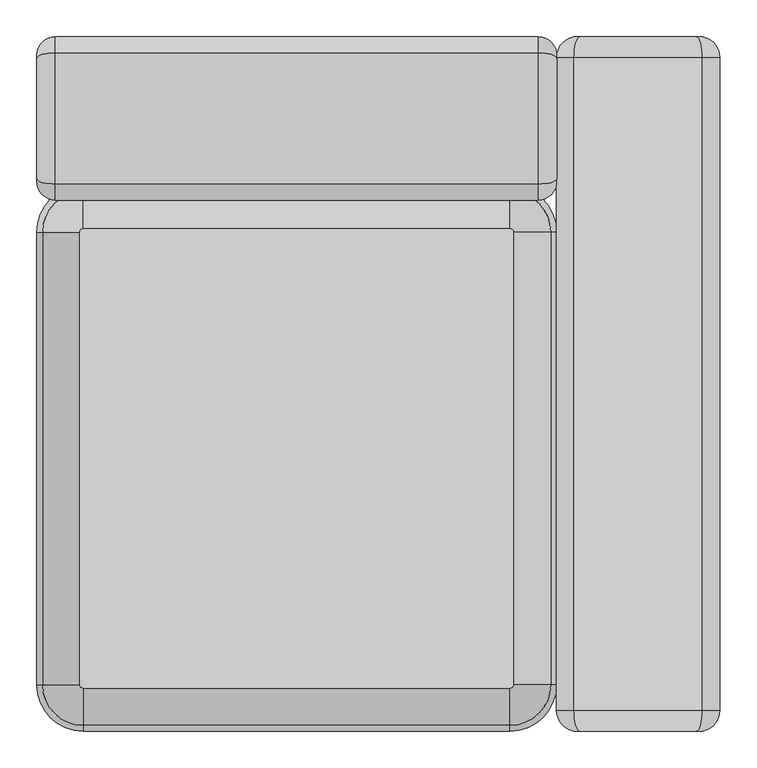
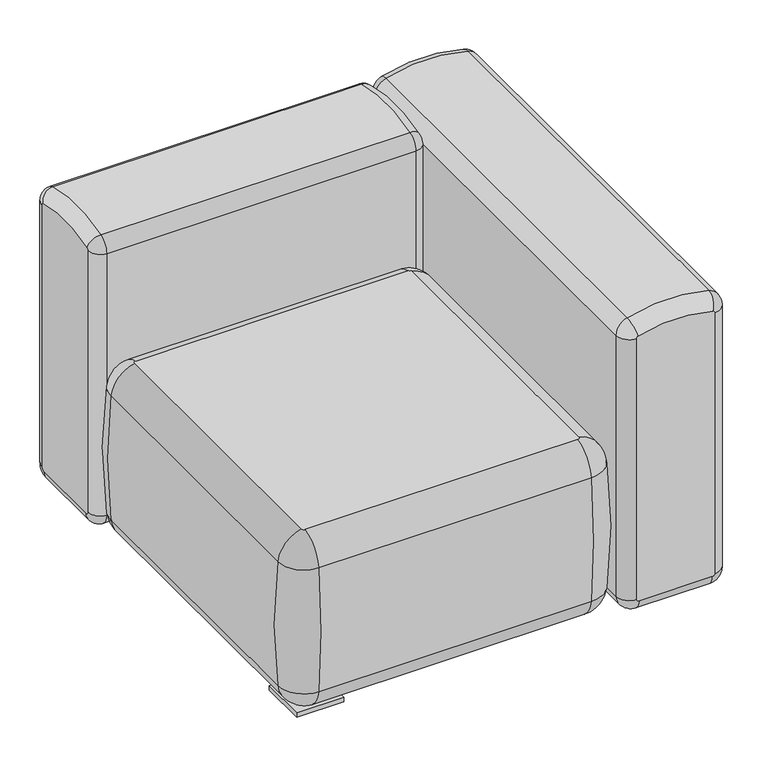
"""IFC4 building model written with IfcOpenShell, lengths in millimetres: furniture geometry."""

from ifc_helpers import new_model, si_unit, point, frame, origin, origin_with_axes, place, context, project, spatial, polyline, circle_curve, ellipse_curve, trimmed, outline, extrude, source, transform, mapped, element, save
from ifc_brep_helpers import plane_surface, cylinder_surface, revolved_surface, advanced_brep


def furniture_eaa25d30(model_context):
    return source(origin(), model_context, "Body", "SolidModel", [
        advanced_brep(
        [(644.5168534, -886.3777279, 400.8294013), (649.2789416, -881.6156397, 400.8294013), (649.2789416, -266.0642945, 400.8294013), (644.5168534, -261.3022063, 400.8294013), (63.5, -261.3022063, 400.8294013), (58.7379118, -266.0642945, 400.8294013), (58.7379118, -881.6156397, 400.8294013), (63.5, -886.3777279, 400.8294013), (649.2789416, -881.6156397, 10.3055551), (644.5168534, -886.3777279, 10.3055551), (63.5, -886.3777279, 10.3055551), (58.7379118, -881.6156397, 10.3055551), (58.7379118, -266.0642945, 10.3055551), (63.5, -261.3022063, 10.3055551), (644.5168534, -261.3022063, 10.3055551), (649.2789416, -266.0642945, 10.3055551), (700.0789416, -881.6156397, 344.9240013), (644.5168534, -937.1777279, 344.9240013), (644.5168534, -937.1777279, 66.2109551), (700.0789416, -881.6156397, 66.2109551), (700.0789416, -266.0642945, 66.2109551), (700.0789416, -266.0642945, 344.9240013), (644.5168534, -210.5022063, 66.2109551), (644.5168534, -210.5022063, 344.9240013), (63.5, -210.5022063, 66.2109551), (63.5, -210.5022063, 344.9240013), (7.9379118, -266.0642945, 66.2109551), (7.9379118, -266.0642945, 344.9240013), (7.9379118, -881.6156397, 66.2109551), (7.9379118, -881.6156397, 344.9240013), (63.5, -937.1777279, 66.2109551), (63.5, -937.1777279, 344.9240013)],
        [
            (0, 1, circle_curve(frame((644.5168534, -881.6156397, 400.8294013), z_axis=(0.0, 0.0, 1.0), x_axis=(0.0, -1.0, 0.0)), 4.7620882)),
            (1, 2),
            (2, 3, circle_curve(frame((644.5168534, -266.0642945, 400.8294013), z_axis=(0.0, 0.0, 1.0), x_axis=(1.0, 0.0, 0.0)), 4.7620882)),
            (3, 4),
            (4, 5, circle_curve(frame((63.5, -266.0642945, 400.8294013), z_axis=(0.0, 0.0, 1.0), x_axis=(0.0, 1.0, 0.0)), 4.7620882)),
            (5, 6),
            (6, 7, circle_curve(frame((63.5, -881.6156397, 400.8294013), z_axis=(0.0, 0.0, 1.0), x_axis=(-1.0, 0.0, 0.0)), 4.7620882)),
            (7, 0),
            (8, 9, circle_curve(frame((644.5168534, -881.6156397, 10.3055551), z_axis=(0.0, 0.0, -1.0), x_axis=(0.0, -1.0, 0.0)), 4.7620882)),
            (9, 10),
            (10, 11, circle_curve(frame((63.5, -881.6156397, 10.3055551), z_axis=(0.0, 0.0, -1.0), x_axis=(-1.0, 0.0, 0.0)), 4.7620882)),
            (11, 12),
            (12, 13, circle_curve(frame((63.5, -266.0642945, 10.3055551), z_axis=(0.0, 0.0, -1.0), x_axis=(0.0, 1.0, 0.0)), 4.7620882)),
            (13, 14),
            (14, 15, circle_curve(frame((644.5168534, -266.0642945, 10.3055551), z_axis=(0.0, 0.0, -1.0), x_axis=(1.0, 0.0, 0.0)), 4.7620882)),
            (15, 8),
            (16, 17, circle_curve(frame((644.5168534, -881.6156397, 344.9240013), z_axis=(0.0, 0.0, -1.0), x_axis=(0.0, -1.0, 0.0)), 55.5620882)),
            (17, 18, circle_curve(frame((644.5168534, 282.1120921, 205.5674782), z_axis=(1.0, 0.0, 0.0), x_axis=(0.0, -1.0, 0.0)), 1227.2277318)),
            (18, 19, circle_curve(frame((644.5168534, -881.6156397, 66.2109551), z_axis=(0.0, 0.0, 1.0), x_axis=(0.0, -1.0, 0.0)), 55.5620882)),
            (19, 16, circle_curve(frame((-519.2108784, -881.6156397, 205.5674782), z_axis=(0.0, -1.0, 0.0), x_axis=(1.0, 0.0, 0.0)), 1227.2277318)),
            (19, 20),
            (20, 21, circle_curve(frame((-519.2108784, -266.0642945, 205.5674782), z_axis=(0.0, -1.0, 0.0), x_axis=(1.0, 0.0, 0.0)), 1227.2277318)),
            (21, 16),
            (20, 22, circle_curve(frame((644.5168534, -266.0642945, 66.2109551), z_axis=(0.0, 0.0, 1.0), x_axis=(1.0, 0.0, 0.0)), 55.5620882)),
            (22, 23, circle_curve(frame((644.5168534, -1429.7920263, 205.5674782), z_axis=(1.0, 0.0, 0.0), x_axis=(0.0, 1.0, 0.0)), 1227.2277318)),
            (23, 21, circle_curve(frame((644.5168534, -266.0642945, 344.9240013), z_axis=(0.0, 0.0, -1.0), x_axis=(1.0, 0.0, 0.0)), 55.5620882)),
            (22, 24),
            (24, 25, circle_curve(frame((63.5, -1429.7920263, 205.5674782), z_axis=(1.0, 0.0, 0.0), x_axis=(0.0, 1.0, 0.0)), 1227.2277318)),
            (25, 23),
            (24, 26, circle_curve(frame((63.5, -266.0642945, 66.2109551), z_axis=(0.0, 0.0, 1.0), x_axis=(0.0, 1.0, 0.0)), 55.5620882)),
            (26, 27, circle_curve(frame((1227.2277318, -266.0642945, 205.5674782), z_axis=(0.0, 1.0, 0.0), x_axis=(-1.0, 0.0, 0.0)), 1227.2277318)),
            (27, 25, circle_curve(frame((63.5, -266.0642945, 344.9240013), z_axis=(0.0, 0.0, -1.0), x_axis=(0.0, 1.0, 0.0)), 55.5620882)),
            (26, 28),
            (28, 29, circle_curve(frame((1227.2277318, -881.6156397, 205.5674782), z_axis=(0.0, 1.0, 0.0), x_axis=(-1.0, 0.0, 0.0)), 1227.2277318)),
            (29, 27),
            (28, 30, circle_curve(frame((63.5, -881.6156397, 66.2109551), z_axis=(0.0, 0.0, 1.0), x_axis=(-1.0, 0.0, 0.0)), 55.5620882)),
            (30, 31, circle_curve(frame((63.5, 282.1120921, 205.5674782), z_axis=(-1.0, 0.0, 0.0), x_axis=(0.0, -1.0, 0.0)), 1227.2277318)),
            (31, 29, circle_curve(frame((63.5, -881.6156397, 344.9240013), z_axis=(0.0, 0.0, -1.0), x_axis=(-1.0, 0.0, 0.0)), 55.5620882)),
            (17, 31),
            (30, 18),
            (18, 9, circle_curve(frame((644.5168534, -872.9354042, 73.5534152), z_axis=(1.0, 0.0, 0.0), x_axis=(0.0, -1.0, 0.0)), 64.6605589)),
            (8, 19, circle_curve(frame((635.8366179, -881.6156397, 73.5534152), z_axis=(0.0, -1.0, 0.0), x_axis=(1.0, 0.0, 0.0)), 64.6605589)),
            (16, 1, circle_curve(frame((635.8366179, -881.6156397, 337.5815412), z_axis=(0.0, -1.0, 0.0), x_axis=(1.0, 0.0, 0.0)), 64.6605589)),
            (0, 17, circle_curve(frame((644.5168534, -872.9354042, 337.5815412), z_axis=(1.0, 0.0, 0.0), x_axis=(0.0, -1.0, 0.0)), 64.6605589)),
            (15, 20, circle_curve(frame((635.8366179, -266.0642945, 73.5534152), z_axis=(0.0, -1.0, 0.0), x_axis=(1.0, 0.0, 0.0)), 64.6605589)),
            (21, 2, circle_curve(frame((635.8366179, -266.0642945, 337.5815412), z_axis=(0.0, -1.0, 0.0), x_axis=(1.0, 0.0, 0.0)), 64.6605589)),
            (14, 22, circle_curve(frame((644.5168534, -274.74453, 73.5534152), z_axis=(1.0, 0.0, 0.0), x_axis=(0.0, 1.0, 0.0)), 64.6605589)),
            (23, 3, circle_curve(frame((644.5168534, -274.74453, 337.5815412), z_axis=(1.0, 0.0, 0.0), x_axis=(0.0, 1.0, 0.0)), 64.6605589)),
            (13, 24, circle_curve(frame((63.5, -274.74453, 73.5534152), z_axis=(1.0, 0.0, 0.0), x_axis=(0.0, 1.0, 0.0)), 64.6605589)),
            (25, 4, circle_curve(frame((63.5, -274.74453, 337.5815412), z_axis=(1.0, 0.0, 0.0), x_axis=(0.0, 1.0, 0.0)), 64.6605589)),
            (12, 26, circle_curve(frame((72.1802355, -266.0642945, 73.5534152), z_axis=(0.0, 1.0, 0.0), x_axis=(-1.0, 0.0, 0.0)), 64.6605589)),
            (27, 5, circle_curve(frame((72.1802355, -266.0642945, 337.5815412), z_axis=(0.0, 1.0, 0.0), x_axis=(-1.0, 0.0, 0.0)), 64.6605589)),
            (11, 28, circle_curve(frame((72.1802355, -881.6156397, 73.5534152), z_axis=(0.0, 1.0, 0.0), x_axis=(-1.0, 0.0, 0.0)), 64.6605589)),
            (29, 6, circle_curve(frame((72.1802355, -881.6156397, 337.5815412), z_axis=(0.0, 1.0, 0.0), x_axis=(-1.0, 0.0, 0.0)), 64.6605589)),
            (10, 30, circle_curve(frame((63.5, -872.9354042, 73.5534152), z_axis=(-1.0, 0.0, 0.0), x_axis=(0.0, -1.0, 0.0)), 64.6605589)),
            (31, 7, circle_curve(frame((63.5, -872.9354042, 337.5815412), z_axis=(-1.0, 0.0, 0.0), x_axis=(0.0, -1.0, 0.0)), 64.6605589)),
        ],
        [
            plane_surface(frame((58.7379118, -881.6156397, 400.8294013), z_axis=(0.0, 0.0, 1.0), x_axis=(0.0, -1.0, 0.0))),
            plane_surface(frame((58.7379118, -881.6156397, 10.3055551), z_axis=(0.0, 0.0, -1.0), x_axis=(0.0, 1.0, 0.0))),
            revolved_surface(trimmed(ellipse_curve(frame((644.5168534, 282.1120921, 205.5674782), z_axis=(-1.0, 0.0, 0.0), x_axis=(0.0, -1.0, 0.0)), 1227.2277318, 1227.2277318), [point((644.5168534, -937.1777279, 66.2109551))], [point((644.5168534, -937.1777279, 344.9240013))], True, "CARTESIAN"), (644.5168534, -881.6156397, 0.0), (0.0, 0.0, 1.0)),
            cylinder_surface(frame((-519.2108784, -881.6156397, 205.5674782), z_axis=(0.0, -1.0, 0.0), x_axis=(1.0, 0.0, 0.0)), 1227.2277318),
            revolved_surface(trimmed(ellipse_curve(frame((-519.2108784, -266.0642945, 205.5674782), z_axis=(0.0, -1.0, 0.0), x_axis=(1.0, 0.0, 0.0)), 1227.2277318, 1227.2277318), [point((700.0789416, -266.0642945, 66.2109551))], [point((700.0789416, -266.0642945, 344.9240013))], True, "CARTESIAN"), (644.5168534, -266.0642945, 0.0), (0.0, 0.0, 1.0)),
            cylinder_surface(frame((644.5168534, -1429.7920263, 205.5674782), z_axis=(1.0, 0.0, 0.0), x_axis=(0.0, 1.0, 0.0)), 1227.2277318),
            revolved_surface(trimmed(ellipse_curve(frame((63.5, -1429.7920263, 205.5674782), z_axis=(1.0, 0.0, 0.0), x_axis=(0.0, 1.0, 0.0)), 1227.2277318, 1227.2277318), [point((63.5, -210.5022063, 66.2109551))], [point((63.5, -210.5022063, 344.9240013))], True, "CARTESIAN"), (63.5, -266.0642945, 0.0), (0.0, 0.0, 1.0)),
            cylinder_surface(frame((1227.2277318, -266.0642945, 205.5674782), z_axis=(0.0, 1.0, 0.0), x_axis=(-1.0, 0.0, 0.0)), 1227.2277318),
            revolved_surface(trimmed(ellipse_curve(frame((1227.2277318, -881.6156397, 205.5674782), z_axis=(0.0, 1.0, 0.0), x_axis=(-1.0, 0.0, 0.0)), 1227.2277318, 1227.2277318), [point((7.9379118, -881.6156397, 66.2109551))], [point((7.9379118, -881.6156397, 344.9240013))], True, "CARTESIAN"), (63.5, -881.6156397, 0.0), (0.0, 0.0, 1.0)),
            cylinder_surface(frame((63.5, 282.1120921, 205.5674782), z_axis=(-1.0, 0.0, 0.0), x_axis=(0.0, -1.0, 0.0)), 1227.2277318),
            revolved_surface(trimmed(ellipse_curve(frame((644.5168534, -872.9354042, 73.5534152), z_axis=(-1.0, 0.0, 0.0), x_axis=(0.0, -1.0, 0.0)), 64.6605589, 64.6605589), [point((644.5168534, -886.3777279, 10.3055551))], [point((644.5168534, -937.1777279, 66.2109551))], True, "CARTESIAN"), (644.5168534, -881.6156397, 0.0), (0.0, 0.0, 1.0)),
            revolved_surface(trimmed(ellipse_curve(frame((644.5168534, -872.9354042, 337.5815412), z_axis=(-1.0, 0.0, 0.0), x_axis=(0.0, -1.0, 0.0)), 64.6605589, 64.6605589), [point((644.5168534, -937.1777279, 344.9240013))], [point((644.5168534, -886.3777279, 400.8294013))], True, "CARTESIAN"), (644.5168534, -881.6156397, 0.0), (0.0, 0.0, 1.0)),
            cylinder_surface(frame((635.8366179, -881.6156397, 73.5534152), z_axis=(0.0, -1.0, 0.0), x_axis=(1.0, 0.0, 0.0)), 64.6605589),
            cylinder_surface(frame((635.8366179, -881.6156397, 337.5815412), z_axis=(0.0, -1.0, 0.0), x_axis=(1.0, 0.0, 0.0)), 64.6605589),
            revolved_surface(trimmed(ellipse_curve(frame((635.8366179, -266.0642945, 73.5534152), z_axis=(0.0, -1.0, 0.0), x_axis=(1.0, 0.0, 0.0)), 64.6605589, 64.6605589), [point((649.2789416, -266.0642945, 10.3055551))], [point((700.0789416, -266.0642945, 66.2109551))], True, "CARTESIAN"), (644.5168534, -266.0642945, 0.0), (0.0, 0.0, 1.0)),
            revolved_surface(trimmed(ellipse_curve(frame((635.8366179, -266.0642945, 337.5815412), z_axis=(0.0, -1.0, 0.0), x_axis=(1.0, 0.0, 0.0)), 64.6605589, 64.6605589), [point((700.0789416, -266.0642945, 344.9240013))], [point((649.2789416, -266.0642945, 400.8294013))], True, "CARTESIAN"), (644.5168534, -266.0642945, 0.0), (0.0, 0.0, 1.0)),
            cylinder_surface(frame((644.5168534, -274.74453, 73.5534152), z_axis=(1.0, 0.0, 0.0), x_axis=(0.0, 1.0, 0.0)), 64.6605589),
            cylinder_surface(frame((644.5168534, -274.74453, 337.5815412), z_axis=(1.0, 0.0, 0.0), x_axis=(0.0, 1.0, 0.0)), 64.6605589),
            revolved_surface(trimmed(ellipse_curve(frame((63.5, -274.74453, 73.5534152), z_axis=(1.0, 0.0, 0.0), x_axis=(0.0, 1.0, 0.0)), 64.6605589, 64.6605589), [point((63.5, -261.3022063, 10.3055551))], [point((63.5, -210.5022063, 66.2109551))], True, "CARTESIAN"), (63.5, -266.0642945, 0.0), (0.0, 0.0, 1.0)),
            revolved_surface(trimmed(ellipse_curve(frame((63.5, -274.74453, 337.5815412), z_axis=(1.0, 0.0, 0.0), x_axis=(0.0, 1.0, 0.0)), 64.6605589, 64.6605589), [point((63.5, -210.5022063, 344.9240013))], [point((63.5, -261.3022063, 400.8294013))], True, "CARTESIAN"), (63.5, -266.0642945, 0.0), (0.0, 0.0, 1.0)),
            cylinder_surface(frame((72.1802355, -266.0642945, 73.5534152), z_axis=(0.0, 1.0, 0.0), x_axis=(-1.0, 0.0, 0.0)), 64.6605589),
            cylinder_surface(frame((72.1802355, -266.0642945, 337.5815412), z_axis=(0.0, 1.0, 0.0), x_axis=(-1.0, 0.0, 0.0)), 64.6605589),
            revolved_surface(trimmed(ellipse_curve(frame((72.1802355, -881.6156397, 73.5534152), z_axis=(0.0, 1.0, 0.0), x_axis=(-1.0, 0.0, 0.0)), 64.6605589, 64.6605589), [point((58.7379118, -881.6156397, 10.3055551))], [point((7.9379118, -881.6156397, 66.2109551))], True, "CARTESIAN"), (63.5, -881.6156397, 0.0), (0.0, 0.0, 1.0)),
            revolved_surface(trimmed(ellipse_curve(frame((72.1802355, -881.6156397, 337.5815412), z_axis=(0.0, 1.0, 0.0), x_axis=(-1.0, 0.0, 0.0)), 64.6605589, 64.6605589), [point((7.9379118, -881.6156397, 344.9240013))], [point((58.7379118, -881.6156397, 400.8294013))], True, "CARTESIAN"), (63.5, -881.6156397, 0.0), (0.0, 0.0, 1.0)),
            cylinder_surface(frame((63.5, -872.9354042, 73.5534152), z_axis=(-1.0, 0.0, 0.0), x_axis=(0.0, -1.0, 0.0)), 64.6605589),
            cylinder_surface(frame((63.5, -872.9354042, 337.5815412), z_axis=(-1.0, 0.0, 0.0), x_axis=(0.0, -1.0, 0.0)), 64.6605589),
        ],
        [
            (0, [[1, 2, 3, 4, 5, 6, 7, 8]]),
            (1, [[9, 10, 11, 12, 13, 14, 15, 16]]),
            (2, [[17, 18, 19, 20]]),
            (3, [[-20, 21, 22, 23]]),
            (4, [[-22, 24, 25, 26]]),
            (5, [[-25, 27, 28, 29]]),
            (6, [[-28, 30, 31, 32]]),
            (7, [[-31, 33, 34, 35]]),
            (8, [[-34, 36, 37, 38]]),
            (9, [[-18, 39, -37, 40]]),
            (10, [[-19, 41, -9, 42]]),
            (11, [[-17, 43, -1, 44]]),
            (12, [[-21, -42, -16, 45]]),
            (13, [[-23, 46, -2, -43]]),
            (14, [[-24, -45, -15, 47]]),
            (15, [[-26, 48, -3, -46]]),
            (16, [[-27, -47, -14, 49]]),
            (17, [[-29, 50, -4, -48]]),
            (18, [[-30, -49, -13, 51]]),
            (19, [[-32, 52, -5, -50]]),
            (20, [[-33, -51, -12, 53]]),
            (21, [[-35, 54, -6, -52]]),
            (22, [[-36, -53, -11, 55]]),
            (23, [[-38, 56, -7, -54]]),
            (24, [[-40, -55, -10, -41]]),
            (25, [[-39, -44, -8, -56]]),
        ],
    ),
        advanced_brep(
        [(25.4, -222.2499879, 43.3255551), (25.4, -189.2299879, 10.3055551), (682.8302443, -189.2299879, 10.3055551), (682.8302443, -222.2499879, 43.3255551), (0.0, -196.8499879, 43.3255551), (0.0, -189.2299879, 35.7055551), (708.2302443, -189.2299879, 35.7055551), (708.2302443, -196.8499879, 43.3255551), (682.8302443, -222.2499879, 632.3988818), (25.4, -222.2499879, 632.3988818), (0.0, -196.8499879, 632.3988818), (708.2302443, -196.8499879, 632.3988818), (25.4, 0.0, 632.3988818), (25.4, -21.7039085, 661.5881027), (682.8302443, -21.7039085, 661.5881027), (682.8302443, 0.0, 632.3988818), (0.0, -25.4, 632.3988818), (0.0, -29.0173181, 637.263752), (708.2302443, -29.0173181, 637.263752), (708.2302443, -25.4, 632.3988818), (682.8302443, 0.0, 43.3255551), (25.4, 0.0, 43.3255551), (0.0, -25.4, 43.3255551), (708.2302443, -25.4, 43.3255551), (682.8302443, -33.02, 10.3055551), (25.4, -33.02, 10.3055551), (0.0, -33.02, 35.7055551), (708.2302443, -33.02, 35.7055551), (682.8302443, -200.5460794, 661.5881027), (25.4, -200.5460794, 661.5881027), (0.0, -193.2326698, 637.263752), (708.2302443, -193.2326698, 637.263752)],
        [
            (0, 1, circle_curve(frame((25.4, -189.2299879, 43.3255551), z_axis=(1.0, 0.0, 0.0), x_axis=(0.0, 0.0, -1.0)), 33.02)),
            (1, 2),
            (2, 3, circle_curve(frame((682.8302443, -189.2299879, 43.3255551), z_axis=(-1.0, 0.0, 0.0), x_axis=(0.0, 0.0, -1.0)), 33.02)),
            (3, 0),
            (0, 4, circle_curve(frame((25.4, -196.8499879, 43.3255551), z_axis=(0.0, 0.0, -1.0), x_axis=(0.0, -1.0, 0.0)), 25.4)),
            (4, 5, circle_curve(frame((0.0, -189.2299879, 43.3255551), z_axis=(1.0, 0.0, 0.0), x_axis=(0.0, 0.0, -1.0)), 7.62)),
            (5, 1, circle_curve(frame((25.4, -189.2299879, 35.7055551), z_axis=(0.0, -1.0, 0.0), x_axis=(0.0, 0.0, -1.0)), 25.4)),
            (2, 6, circle_curve(frame((682.8302443, -189.2299879, 35.7055551), z_axis=(0.0, -1.0, 0.0), x_axis=(0.0, 0.0, -1.0)), 25.4)),
            (6, 7, circle_curve(frame((708.2302443, -189.2299879, 43.3255551), z_axis=(-1.0, 0.0, 0.0), x_axis=(0.0, 0.0, -1.0)), 7.62)),
            (7, 3, circle_curve(frame((682.8302443, -196.8499879, 43.3255551), z_axis=(0.0, 0.0, -1.0), x_axis=(0.0, -1.0, 0.0)), 25.4)),
            (3, 8),
            (8, 9),
            (9, 0),
            (9, 10, circle_curve(frame((25.4, -196.8499879, 632.3988818), z_axis=(0.0, 0.0, -1.0), x_axis=(0.0, -1.0, 0.0)), 25.4)),
            (10, 4),
            (7, 11),
            (11, 8, circle_curve(frame((682.8302443, -196.8499879, 632.3988818), z_axis=(0.0, 0.0, -1.0), x_axis=(0.0, -1.0, 0.0)), 25.4)),
            (12, 13, circle_curve(frame((25.4, -30.48, 632.3988818), z_axis=(1.0, 0.0, 0.0), x_axis=(0.0, 0.28792951141472445, 0.9576516049464325)), 30.48)),
            (13, 14),
            (14, 15, circle_curve(frame((682.8302443, -30.48, 632.3988818), z_axis=(-1.0, 0.0, 0.0), x_axis=(0.0, 0.28792951141472445, 0.9576516049464325)), 30.48)),
            (15, 12),
            (12, 16, circle_curve(frame((25.4, -25.4, 632.3988818), z_axis=(0.0, 0.0, 1.0000000000000002), x_axis=(0.0, 1.0000000000000002, 0.0)), 25.4)),
            (16, 17, circle_curve(frame((0.0, -30.48, 632.3988818), z_axis=(1.0, 0.0, 0.0), x_axis=(0.0, 0.28792951141472445, 0.9576516049464325)), 5.08)),
            (17, 13, circle_curve(frame((25.4, -29.0173181, 637.263752), z_axis=(0.0, 0.9576516049464325, -0.2879295114147244), x_axis=(0.0, 0.2879295114147244, 0.9576516049464325)), 25.4)),
            (14, 18, circle_curve(frame((682.8302443, -29.0173181, 637.263752), z_axis=(0.0, 0.9576516049464325, -0.2879295114147244), x_axis=(0.0, 0.2879295114147244, 0.9576516049464325)), 25.4)),
            (18, 19, circle_curve(frame((708.2302443, -30.48, 632.3988818), z_axis=(-1.0, 0.0, 0.0), x_axis=(0.0, 0.28792951141472445, 0.9576516049464325)), 5.08)),
            (19, 15, circle_curve(frame((682.8302443, -25.4, 632.3988818), z_axis=(0.0, 0.0, 1.0), x_axis=(0.0, 1.0, 0.0)), 25.4)),
            (15, 20),
            (20, 21),
            (21, 12),
            (21, 22, circle_curve(frame((25.4, -25.4, 43.3255551), z_axis=(0.0, 0.0, 1.0), x_axis=(0.0, 1.0, 0.0)), 25.4)),
            (22, 16),
            (19, 23),
            (23, 20, circle_curve(frame((682.8302443, -25.4, 43.3255551), z_axis=(0.0, 0.0, 1.0), x_axis=(0.0, 1.0, 0.0)), 25.4)),
            (20, 24, circle_curve(frame((682.8302443, -33.02, 43.3255551), z_axis=(-1.0, 0.0, 0.0), x_axis=(0.0, 1.0, 0.0)), 33.02)),
            (24, 25),
            (25, 21, circle_curve(frame((25.4, -33.02, 43.3255551), z_axis=(1.0, 0.0, 0.0), x_axis=(0.0, 1.0, 0.0)), 33.02)),
            (25, 26, circle_curve(frame((25.4, -33.02, 35.7055551), z_axis=(0.0, 1.0, 0.0), x_axis=(0.0, 0.0, -1.0)), 25.4)),
            (26, 22, circle_curve(frame((0.0, -33.02, 43.3255551), z_axis=(1.0, 0.0, 0.0), x_axis=(0.0, 1.0, 0.0)), 7.62)),
            (23, 27, circle_curve(frame((708.2302443, -33.02, 43.3255551), z_axis=(-1.0, 0.0, 0.0), x_axis=(0.0, 1.0, 0.0)), 7.62)),
            (27, 24, circle_curve(frame((682.8302443, -33.02, 35.7055551), z_axis=(0.0, 1.0, 0.0), x_axis=(0.0, 0.0, -1.0)), 25.4)),
            (1, 25),
            (24, 2),
            (5, 26),
            (27, 6),
            (8, 28, circle_curve(frame((682.8302443, -191.7699879, 632.3988818), z_axis=(-1.0, 0.0, 0.0), x_axis=(0.0, -1.0, 0.0)), 30.48)),
            (28, 29),
            (29, 9, circle_curve(frame((25.4, -191.7699879, 632.3988818), z_axis=(1.0, 0.0, 0.0), x_axis=(0.0, -1.0, 0.0)), 30.48)),
            (29, 30, circle_curve(frame((25.4, -193.2326698, 637.263752), z_axis=(0.0, -0.9576516049464516, -0.28792951141466067), x_axis=(0.0, -0.28792951141466067, 0.9576516049464516)), 25.4)),
            (30, 10, circle_curve(frame((0.0, -191.7699879, 632.3988818), z_axis=(1.0, 0.0, 0.0), x_axis=(0.0, -1.0, 0.0)), 5.08)),
            (11, 31, circle_curve(frame((708.2302443, -191.7699879, 632.3988818), z_axis=(-1.0, 0.0, 0.0), x_axis=(0.0, -1.0, 0.0)), 5.08)),
            (31, 28, circle_curve(frame((682.8302443, -193.2326698, 637.263752), z_axis=(0.0, -0.9576516049464507, -0.2879295114146636), x_axis=(0.0, -0.2879295114146636, 0.9576516049464507)), 25.4)),
            (13, 29, circle_curve(frame((25.4, -111.1249939, 364.1741781), z_axis=(1.0, 0.0, 0.0), x_axis=(0.0, -0.2879295114146613, 0.9576516049464515)), 310.5658917)),
            (28, 14, circle_curve(frame((682.8302443, -111.1249939, 364.1741781), z_axis=(-1.0, 0.0, 0.0), x_axis=(0.0, -0.2879295114146613, 0.9576516049464515)), 310.5658917)),
            (17, 30, circle_curve(frame((0.0, -111.1249939, 364.1741781), z_axis=(1.0, 0.0, 0.0), x_axis=(0.0, -0.2879295114146613, 0.9576516049464515)), 285.1658917)),
            (18, 31, circle_curve(frame((708.2302443, -111.1249939, 364.1741781), z_axis=(1.0, 0.0, 0.0), x_axis=(0.0, -0.2879295114146613, 0.9576516049464515)), 285.1658917)),
        ],
        [
            cylinder_surface(frame((0.0, -189.2299879, 43.3255551), z_axis=(-1.0, 0.0, 0.0), x_axis=(0.0, 0.0, -1.0)), 33.02),
            revolved_surface(trimmed(ellipse_curve(frame((25.4, -189.2299879, 35.7055551), z_axis=(0.0, 1.0, 0.0), x_axis=(0.0, 0.0, -1.0)), 25.4, 25.4), [point((25.4, -189.2299879, 10.3055551))], [point((0.0, -189.2299879, 35.7055551))], True, "CARTESIAN"), (0.0, -189.2299879, 43.3255551), (-1.0, 0.0, 0.0)),
            revolved_surface(trimmed(ellipse_curve(frame((682.8302443, -189.2299879, 35.7055551), z_axis=(0.0, 1.0, 0.0), x_axis=(0.0, 0.0, -1.0)), 25.4, 25.4), [point((708.2302443, -189.2299879, 35.7055551))], [point((682.8302443, -189.2299879, 10.3055551))], True, "CARTESIAN"), (0.0, -189.2299879, 43.3255551), (-1.0, 0.0, 0.0)),
            plane_surface(frame((682.8302443, -222.2499879, 43.3255551), z_axis=(0.0, -1.0, 0.0), x_axis=(0.0, 0.0, 1.0))),
            cylinder_surface(frame((25.4, -196.8499879, 43.3255551), z_axis=(0.0, 0.0, -1.0), x_axis=(0.0, -1.0, 0.0)), 25.4),
            cylinder_surface(frame((682.8302443, -196.8499879, 43.3255551), z_axis=(0.0, 0.0, -1.0), x_axis=(0.0, -1.0, 0.0)), 25.4),
            cylinder_surface(frame((0.0, -30.48, 632.3988818), z_axis=(-1.0, 0.0, 0.0), x_axis=(0.0, 0.28792951141472445, 0.9576516049464325)), 30.48),
            revolved_surface(trimmed(ellipse_curve(frame((25.4, -29.0173181, 637.263752), z_axis=(0.0, -0.9576516049464325, 0.2879295114147244), x_axis=(0.0, 0.2879295114147244, 0.9576516049464325)), 25.4, 25.4), [point((25.4, -21.7039085, 661.5881027))], [point((0.0, -29.0173181, 637.263752))], True, "CARTESIAN"), (0.0, -30.48, 632.3988818), (-1.0, 0.0, 0.0)),
            revolved_surface(trimmed(ellipse_curve(frame((682.8302443, -29.0173181, 637.263752), z_axis=(0.0, -0.9576516049464325, 0.2879295114147244), x_axis=(0.0, 0.2879295114147244, 0.9576516049464325)), 25.4, 25.4), [point((708.2302443, -29.0173181, 637.263752))], [point((682.8302443, -21.7039085, 661.5881027))], True, "CARTESIAN"), (0.0, -30.48, 632.3988818), (-1.0, 0.0, 0.0)),
            plane_surface(frame((682.8302443, 0.0, 632.3988818), z_axis=(0.0, 1.0, 0.0), x_axis=(0.0, 0.0, -1.0))),
            cylinder_surface(frame((25.4, -25.4, 632.3988818), z_axis=(0.0, 0.0, 1.0), x_axis=(0.0, 1.0, 0.0)), 25.4),
            cylinder_surface(frame((682.8302443, -25.4, 632.3988818), z_axis=(0.0, 0.0, 1.0), x_axis=(0.0, 1.0, 0.0)), 25.4),
            cylinder_surface(frame((0.0, -33.02, 43.3255551), z_axis=(-1.0, 0.0, 0.0), x_axis=(0.0, 1.0, 0.0)), 33.02),
            revolved_surface(trimmed(ellipse_curve(frame((25.4, -25.4, 43.3255551), z_axis=(0.0, 0.0, 1.0), x_axis=(0.0, 1.0, 0.0)), 25.4, 25.4), [point((25.4, 0.0, 43.3255551))], [point((0.0, -25.4, 43.3255551))], True, "CARTESIAN"), (0.0, -33.02, 43.3255551), (-1.0, 0.0, 0.0)),
            revolved_surface(trimmed(ellipse_curve(frame((682.8302443, -25.4, 43.3255551), z_axis=(0.0, 0.0, 1.0), x_axis=(0.0, 1.0, 0.0)), 25.4, 25.4), [point((708.2302443, -25.4, 43.3255551))], [point((682.8302443, 0.0, 43.3255551))], True, "CARTESIAN"), (0.0, -33.02, 43.3255551), (-1.0, 0.0, 0.0)),
            plane_surface(frame((682.8302443, -33.02, 10.3055551), z_axis=(0.0, 0.0, -1.0), x_axis=(0.0, -1.0, 0.0))),
            cylinder_surface(frame((25.4, -33.02, 35.7055551), z_axis=(0.0, 1.0, 0.0), x_axis=(0.0, 0.0, -1.0)), 25.4),
            cylinder_surface(frame((682.8302443, -33.02, 35.7055551), z_axis=(0.0, 1.0, 0.0), x_axis=(0.0, 0.0, -1.0)), 25.4),
            cylinder_surface(frame((0.0, -191.7699879, 632.3988818), z_axis=(-1.0, 0.0, 0.0), x_axis=(0.0, -1.0, 0.0)), 30.48),
            revolved_surface(trimmed(ellipse_curve(frame((25.4, -196.8499879, 632.3988818), z_axis=(0.0, 0.0, -1.0), x_axis=(0.0, -1.0, 0.0)), 25.4, 25.4), [point((25.4, -222.2499879, 632.3988818))], [point((0.0, -196.8499879, 632.3988818))], True, "CARTESIAN"), (0.0, -191.7699879, 632.3988818), (-1.0, 0.0, 0.0)),
            revolved_surface(trimmed(ellipse_curve(frame((682.8302443, -196.8499879, 632.3988818), z_axis=(0.0, 0.0, -1.0), x_axis=(0.0, -1.0, 0.0)), 25.4, 25.4), [point((708.2302443, -196.8499879, 632.3988818))], [point((682.8302443, -222.2499879, 632.3988818))], True, "CARTESIAN"), (0.0, -191.7699879, 632.3988818), (-1.0, 0.0, 0.0)),
            cylinder_surface(frame((0.0, -111.1249939, 364.1741781), z_axis=(-1.0, 0.0, 0.0), x_axis=(0.0, -0.2879295114146613, 0.9576516049464515)), 310.5658917),
            revolved_surface(trimmed(ellipse_curve(frame((25.4, -193.2326698, 637.263752), z_axis=(0.0, -0.9576516049464515, -0.2879295114146613), x_axis=(0.0, -0.2879295114146613, 0.9576516049464515)), 25.4, 25.4), [point((25.4, -200.5460794, 661.5881027))], [point((0.0, -193.2326698, 637.263752))], True, "CARTESIAN"), (0.0, -111.1249939, 364.1741781), (-1.0, 0.0, 0.0)),
            plane_surface(frame((0.0, -111.1249939, 364.1741781), z_axis=(-1.0, 0.0, 0.0), x_axis=(0.0, -0.2879295114146613, 0.9576516049464515))),
            plane_surface(frame((708.2302443, -111.1249939, 364.1741781), z_axis=(1.0, 0.0, 0.0), x_axis=(0.0, -0.2879295114146613, 0.9576516049464515))),
            revolved_surface(trimmed(ellipse_curve(frame((682.8302443, -193.2326698, 637.263752), z_axis=(0.0, -0.9576516049464515, -0.2879295114146613), x_axis=(0.0, -0.2879295114146613, 0.9576516049464515)), 25.4, 25.4), [point((708.2302443, -193.2326698, 637.263752))], [point((682.8302443, -200.5460794, 661.5881027))], True, "CARTESIAN"), (0.0, -111.1249939, 364.1741781), (-1.0, 0.0, 0.0)),
        ],
        [
            (0, [[1, 2, 3, 4]]),
            (1, [[-1, 5, 6, 7]]),
            (2, [[-3, 8, 9, 10]]),
            (3, [[-4, 11, 12, 13]]),
            (4, [[-5, -13, 14, 15]]),
            (5, [[-10, 16, 17, -11]]),
            (6, [[18, 19, 20, 21]]),
            (7, [[-18, 22, 23, 24]]),
            (8, [[-20, 25, 26, 27]]),
            (9, [[-21, 28, 29, 30]]),
            (10, [[-22, -30, 31, 32]]),
            (11, [[-27, 33, 34, -28]]),
            (12, [[-29, 35, 36, 37]]),
            (13, [[-31, -37, 38, 39]]),
            (14, [[-34, 40, 41, -35]]),
            (15, [[-2, 42, -36, 43]]),
            (16, [[-7, 44, -38, -42]]),
            (17, [[-8, -43, -41, 45]]),
            (18, [[-12, 46, 47, 48]]),
            (19, [[-14, -48, 49, 50]]),
            (20, [[-17, 51, 52, -46]]),
            (21, [[-19, 53, -47, 54]]),
            (22, [[-24, 55, -49, -53]]),
            (23, [[-6, -15, -50, -55, -23, -32, -39, -44]]),
            (24, [[-9, -45, -40, -33, -26, 56, -51, -16]]),
            (25, [[-25, -54, -52, -56]]),
        ],
    ),
        advanced_brep(
        [(930.2749758, -916.819967, 43.3255551), (897.2549758, -916.819967, 10.3055551), (897.2549758, -28.2573151, 10.3055551), (930.2749758, -28.2573151, 43.3255551), (897.2549758, 0.0, 38.5929335), (901.9875973, 0.0, 43.3255551), (930.2749758, -28.2573151, 630.5024736), (930.2749758, -916.819967, 630.5024736), (901.9875973, 0.0, 630.5024736), (906.512635, -28.2573151, 662.1981327), (906.512635, -916.819967, 662.1981327), (898.581776, 0.0, 635.0452828), (731.786275, -28.2573151, 662.1981327), (731.786275, -916.819967, 662.1981327), (739.717134, 0.0, 635.0452828), (708.0240068, -28.2573151, 630.5024736), (708.0240068, -916.819967, 630.5024736), (736.3113853, 0.0, 630.5024736), (708.0240068, -28.2573151, 43.3255551), (708.0240068, -916.819967, 43.3255551), (736.3113853, 0.0, 43.3255551), (741.0440068, -28.2573151, 10.3055551), (741.0440068, -916.819967, 10.3055551), (741.0440068, 0.0, 38.5929335), (736.3196068, -945.115567, 630.5024736), (736.3196068, -945.115567, 43.3255551), (741.0440068, -945.115567, 38.6011551), (897.2549758, -945.115567, 38.6011551), (901.9793758, -945.115567, 43.3255551), (901.9793758, -945.115567, 630.5024736), (898.5794709, -945.115567, 635.037391), (739.7194391, -945.115567, 635.037391)],
        [
            (0, 1, circle_curve(frame((897.2549758, -916.819967, 43.3255551), z_axis=(0.0, 1.0, 0.0), x_axis=(0.0, 0.0, -1.0)), 33.02)),
            (1, 2),
            (2, 3, circle_curve(frame((897.2549758, -28.2573151, 43.3255551), z_axis=(0.0, -1.0, 0.0), x_axis=(0.0, 0.0, -1.0)), 33.02)),
            (3, 0),
            (2, 4, circle_curve(frame((897.2549758, -28.2573151, 38.5929335), z_axis=(1.0, 0.0, 0.0), x_axis=(0.0, -1.0, 0.0)), 28.2573151)),
            (4, 5, circle_curve(frame((897.2549758, 0.0, 43.3255551), z_axis=(0.0, -1.0, 0.0), x_axis=(0.0, 0.0, -1.0)), 4.7326216)),
            (5, 3, circle_curve(frame((901.9875973, -28.2573151, 43.3255551), z_axis=(0.0, 0.0, -1.0), x_axis=(0.0, -1.0, 0.0)), 28.2573151)),
            (3, 6),
            (6, 7),
            (7, 0),
            (5, 8),
            (8, 6, circle_curve(frame((901.9875973, -28.2573151, 630.5024736), z_axis=(0.0, 0.0, -1.0), x_axis=(0.0, -1.0, 0.0)), 28.2573151)),
            (6, 9, circle_curve(frame((897.2549031, -28.2573151, 630.5024736), z_axis=(0.0, -1.0, 0.0), x_axis=(1.0, 0.0, 0.0)), 33.02)),
            (9, 10),
            (10, 7, circle_curve(frame((897.2549031, -916.819967, 630.5024736), z_axis=(0.0, 1.0, 0.0), x_axis=(1.0, 0.0, 0.0)), 33.02)),
            (8, 11, circle_curve(frame((897.2549031, 0.0, 630.5024736), z_axis=(0.0, -1.0, 0.0), x_axis=(1.0, 0.0, 0.0)), 4.7326216)),
            (11, 9, circle_curve(frame((898.581776, -28.2573151, 635.0452828), z_axis=(0.9598927624516772, 0.0, -0.28036741000495763), x_axis=(0.0, -1.0, 0.0)), 28.2573151)),
            (9, 12, circle_curve(frame((819.149455, -28.2573151, 363.0931682), z_axis=(0.0, -1.0, 0.0), x_axis=(0.2803674100045952, 0.0, 0.9598927624517829)), 311.6024791)),
            (12, 13),
            (13, 10, circle_curve(frame((819.149455, -916.819967, 363.0931682), z_axis=(0.0, 1.0, 0.0), x_axis=(0.2803674100045952, 0.0, 0.9598927624517829)), 311.6024791)),
            (11, 14, circle_curve(frame((819.149455, 0.0, 363.0931682), z_axis=(0.0, -1.0, 0.0), x_axis=(0.2803674100045952, 0.0, 0.9598927624517829)), 283.3151006)),
            (14, 12, circle_curve(frame((739.717134, -28.2573151, 635.0452828), z_axis=(0.9598927624517879, 0.0, 0.2803674100045784), x_axis=(0.0, -1.0, 0.0)), 28.2573151)),
            (12, 15, circle_curve(frame((741.0440068, -28.2573151, 630.5024736), z_axis=(0.0, -1.0, 0.0), x_axis=(-0.2803674100041927, 0.0, 0.9598927624519006)), 33.02)),
            (15, 16),
            (16, 13, circle_curve(frame((741.0440068, -916.819967, 630.5024736), z_axis=(0.0, 1.0, 0.0), x_axis=(-0.2803674100041927, 0.0, 0.9598927624519006)), 33.02)),
            (14, 17, circle_curve(frame((741.0440068, 0.0, 630.5024736), z_axis=(0.0, -1.0, 0.0), x_axis=(-0.2803674100041927, 0.0, 0.9598927624519006)), 4.7326216)),
            (17, 15, circle_curve(frame((736.3113853, -28.2573151, 630.5024736), z_axis=(0.0, 0.0, 1.0), x_axis=(0.0, -1.0, 0.0)), 28.2573151)),
            (15, 18),
            (18, 19),
            (19, 16),
            (17, 20),
            (20, 18, circle_curve(frame((736.3113853, -28.2573151, 43.3255551), z_axis=(0.0, 0.0, 1.0), x_axis=(0.0, -1.0, 0.0)), 28.2573151)),
            (18, 21, circle_curve(frame((741.0440068, -28.2573151, 43.3255551), z_axis=(0.0, -1.0, 0.0), x_axis=(-1.0, 0.0, 0.0)), 33.02)),
            (21, 22),
            (22, 19, circle_curve(frame((741.0440068, -916.819967, 43.3255551), z_axis=(0.0, 1.0, 0.0), x_axis=(-1.0, 0.0, 0.0)), 33.02)),
            (20, 23, circle_curve(frame((741.0440068, 0.0, 43.3255551), z_axis=(0.0, -1.0, 0.0), x_axis=(-1.0, 0.0, 0.0)), 4.7326216)),
            (23, 21, circle_curve(frame((741.0440068, -28.2573151, 38.5929335), z_axis=(-1.0, 0.0, 0.0), x_axis=(0.0, -1.0, 0.0)), 28.2573151)),
            (1, 22),
            (21, 2),
            (24, 25),
            (25, 26, circle_curve(frame((741.0440068, -945.115567, 43.3255551), z_axis=(0.0, -1.0, 0.0), x_axis=(-1.0, 0.0, 0.0)), 4.7244)),
            (26, 27),
            (27, 28, circle_curve(frame((897.2549758, -945.115567, 43.3255551), z_axis=(0.0, -1.0, 0.0), x_axis=(0.0, 0.0, -1.0)), 4.7244)),
            (28, 29),
            (29, 30, circle_curve(frame((897.2549031, -945.115567, 630.5024736), z_axis=(0.0, -1.0, 0.0), x_axis=(1.0, 0.0, 0.0)), 4.7244)),
            (30, 31, circle_curve(frame((819.149455, -945.115567, 363.0931682), z_axis=(0.0, -1.0, 0.0), x_axis=(0.2803674100045952, 0.0, 0.9598927624517829)), 283.3068791)),
            (31, 24, circle_curve(frame((741.0440068, -945.115567, 630.5024736), z_axis=(0.0, -1.0, 0.0), x_axis=(-0.2803674100041927, 0.0, 0.9598927624519006)), 4.7244)),
            (4, 23),
            (0, 28, circle_curve(frame((901.9793758, -916.819967, 43.3255551), z_axis=(0.0, 0.0, -1.0), x_axis=(0.0, -1.0, 0.0)), 28.2956)),
            (27, 1, circle_curve(frame((897.2549758, -916.819967, 38.6011551), z_axis=(1.0, 0.0, 0.0), x_axis=(0.0, -1.0, 0.0)), 28.2956)),
            (7, 29, circle_curve(frame((901.9793758, -916.819967, 630.5024736), z_axis=(0.0, 0.0, -1.0), x_axis=(0.0, -1.0, 0.0)), 28.2956)),
            (10, 30, circle_curve(frame((898.5794709, -916.819967, 635.037391), z_axis=(0.9598927624517682, 0.0, -0.2803674100046458), x_axis=(0.0, -1.0, 0.0)), 28.2956)),
            (13, 31, circle_curve(frame((739.7194391, -916.819967, 635.037391), z_axis=(0.959892762451798, 0.0, 0.28036741000454346), x_axis=(0.0, -1.0, 0.0)), 28.2956)),
            (16, 24, circle_curve(frame((736.3196068, -916.819967, 630.5024736), z_axis=(0.0, 0.0, 0.9999999999999999), x_axis=(0.0, -1.0, 0.0)), 28.2956)),
            (19, 25, circle_curve(frame((736.3196068, -916.819967, 43.3255551), z_axis=(0.0, 0.0, 1.0), x_axis=(0.0, -1.0, 0.0)), 28.2956)),
            (22, 26, circle_curve(frame((741.0440068, -916.819967, 38.6011551), z_axis=(-1.0, 0.0, 0.0), x_axis=(0.0, -1.0, 0.0)), 28.2956)),
        ],
        [
            cylinder_surface(frame((897.2549758, 0.0, 43.3255551), z_axis=(0.0, -1.0, 0.0), x_axis=(0.0, 0.0, -1.0)), 33.02),
            revolved_surface(trimmed(ellipse_curve(frame((897.2549758, -28.2573151, 38.5929335), z_axis=(-1.0, 0.0, 0.0), x_axis=(0.0, -1.0, 0.0)), 28.2573151, 28.2573151), [point((897.2549758, 0.0, 38.5929335))], [point((897.2549758, -28.2573151, 10.3356184))], True, "CARTESIAN"), (897.2549758, 0.0, 43.3255551), (0.0, -1.0, 0.0)),
            plane_surface(frame((930.2749758, -28.2573151, 43.3255551), z_axis=(1.0, 0.0, 0.0), x_axis=(0.0, 0.0, 1.0))),
            cylinder_surface(frame((901.9875973, -28.2573151, 43.3255551), z_axis=(0.0, 0.0, -1.0), x_axis=(0.0, -1.0, 0.0)), 28.2573151),
            cylinder_surface(frame((897.2549031, 0.0, 630.5024736), z_axis=(0.0, -1.0, 0.0), x_axis=(1.0, 0.0, 0.0)), 33.02),
            revolved_surface(trimmed(ellipse_curve(frame((901.9875247, -28.2573151, 630.5024736), z_axis=(0.0, 0.0, -1.0), x_axis=(0.0, -1.0, 0.0)), 28.2573151, 28.2573151), [point((901.9875247, 0.0, 630.5024736))], [point((930.2448398, -28.2573151, 630.5024736))], True, "CARTESIAN"), (897.2549031, 0.0, 630.5024736), (0.0, -1.0, 0.0)),
            cylinder_surface(frame((819.149455, 0.0, 363.0931682), z_axis=(0.0, -1.0, 0.0), x_axis=(0.2803674100045952, 0.0, 0.9598927624517829)), 311.6024791),
            revolved_surface(trimmed(ellipse_curve(frame((898.581776, -28.2573151, 635.0452828), z_axis=(0.959892762451783, 0.0, -0.280367410004595), x_axis=(0.0, -1.0, 0.0)), 28.2573151, 28.2573151), [point((898.581776, 0.0, 635.0452828))], [point((906.5042062, -28.2573151, 662.1692751))], True, "CARTESIAN"), (819.149455, 0.0, 363.0931682), (0.0, -1.0, 0.0)),
            cylinder_surface(frame((741.0440068, 0.0, 630.5024736), z_axis=(0.0, -1.0, 0.0), x_axis=(-0.2803674100041927, 0.0, 0.9598927624519006)), 33.02),
            revolved_surface(trimmed(ellipse_curve(frame((739.717134, -28.2573151, 635.0452828), z_axis=(0.9598927624519006, 0.0, 0.2803674100041928), x_axis=(0.0, -1.0, 0.0)), 28.2573151, 28.2573151), [point((739.717134, 0.0, 635.0452828))], [point((731.7947037, -28.2573151, 662.1692751))], True, "CARTESIAN"), (741.0440068, 0.0, 630.5024736), (0.0, -1.0, 0.0)),
            plane_surface(frame((708.0240068, -28.2573151, 630.5024736), z_axis=(-1.0, 0.0, 0.0), x_axis=(0.0, 0.0, -1.0))),
            cylinder_surface(frame((736.3113853, -28.2573151, 630.5024736), z_axis=(0.0, 0.0, 1.0), x_axis=(0.0, -1.0, 0.0)), 28.2573151),
            cylinder_surface(frame((741.0440068, 0.0, 43.3255551), z_axis=(0.0, -1.0, 0.0), x_axis=(-1.0, 0.0, 0.0)), 33.02),
            revolved_surface(trimmed(ellipse_curve(frame((736.3113853, -28.2573151, 43.3255551), z_axis=(0.0, 0.0, 1.0), x_axis=(0.0, -1.0, 0.0)), 28.2573151, 28.2573151), [point((736.3113853, 0.0, 43.3255551))], [point((708.0540702, -28.2573151, 43.3255551))], True, "CARTESIAN"), (741.0440068, 0.0, 43.3255551), (0.0, -1.0, 0.0)),
            plane_surface(frame((741.0440068, -28.2573151, 10.3055551), z_axis=(0.0, 0.0, -1.0), x_axis=(1.0, 0.0, 0.0))),
            plane_surface(frame((741.0440068, -945.115567, 38.6011551), z_axis=(0.0, -1.0, 0.0), x_axis=(1.0, 0.0, 0.0))),
            plane_surface(frame((741.0440068, 0.0, 43.3255531), z_axis=(0.0, 1.0, 0.0), x_axis=(1.0, 0.0, 0.0))),
            cylinder_surface(frame((741.0440068, -28.2573151, 38.5929335), z_axis=(-1.0, 0.0, 0.0), x_axis=(0.0, -1.0, 0.0)), 28.2573151),
            revolved_surface(trimmed(ellipse_curve(frame((897.2549758, -916.819967, 38.6011551), z_axis=(-1.0, 0.0, 0.0), x_axis=(0.0, -1.0, 0.0)), 28.2956, 28.2956), [point((897.2549758, -916.819967, 10.3055551))], [point((897.2549758, -945.115567, 38.6011551))], True, "CARTESIAN"), (897.2549758, 0.0, 43.3255551), (0.0, -1.0, 0.0)),
            cylinder_surface(frame((901.9793758, -916.819967, 43.3255551), z_axis=(0.0, 0.0, -1.0), x_axis=(0.0, -1.0, 0.0)), 28.2956),
            revolved_surface(trimmed(ellipse_curve(frame((901.9793031, -916.819967, 630.5024736), z_axis=(0.0, 0.0, -1.0), x_axis=(0.0, -1.0, 0.0)), 28.2956, 28.2956), [point((930.2749031, -916.819967, 630.5024736))], [point((901.9793031, -945.115567, 630.5024736))], True, "CARTESIAN"), (897.2549031, 0.0, 630.5024736), (0.0, -1.0, 0.0)),
            revolved_surface(trimmed(ellipse_curve(frame((898.5794709, -916.819967, 635.037391), z_axis=(0.959892762451783, 0.0, -0.280367410004595), x_axis=(0.0, -1.0, 0.0)), 28.2956, 28.2956), [point((906.512635, -916.819967, 662.1981327))], [point((898.5794709, -945.115567, 635.037391))], True, "CARTESIAN"), (819.149455, 0.0, 363.0931682), (0.0, -1.0, 0.0)),
            revolved_surface(trimmed(ellipse_curve(frame((739.7194391, -916.819967, 635.037391), z_axis=(0.9598927624519006, 0.0, 0.2803674100041928), x_axis=(0.0, -1.0, 0.0)), 28.2956, 28.2956), [point((731.786275, -916.819967, 662.1981327))], [point((739.7194391, -945.115567, 635.037391))], True, "CARTESIAN"), (741.0440068, 0.0, 630.5024736), (0.0, -1.0, 0.0)),
            cylinder_surface(frame((736.3196068, -916.819967, 630.5024736), z_axis=(0.0, 0.0, 1.0), x_axis=(0.0, -1.0, 0.0)), 28.2956),
            revolved_surface(trimmed(ellipse_curve(frame((736.3196068, -916.819967, 43.3255551), z_axis=(0.0, 0.0, 1.0), x_axis=(0.0, -1.0, 0.0)), 28.2956, 28.2956), [point((708.0240068, -916.819967, 43.3255551))], [point((736.3196068, -945.115567, 43.3255551))], True, "CARTESIAN"), (741.0440068, 0.0, 43.3255551), (0.0, -1.0, 0.0)),
            cylinder_surface(frame((741.0440068, -916.819967, 38.6011551), z_axis=(-1.0, 0.0, 0.0), x_axis=(0.0, -1.0, 0.0)), 28.2956),
        ],
        [
            (0, [[1, 2, 3, 4]]),
            (1, [[-3, 5, 6, 7]]),
            (2, [[-4, 8, 9, 10]]),
            (3, [[-7, 11, 12, -8]]),
            (4, [[-9, 13, 14, 15]]),
            (5, [[-12, 16, 17, -13]]),
            (6, [[-14, 18, 19, 20]]),
            (7, [[-17, 21, 22, -18]]),
            (8, [[-19, 23, 24, 25]]),
            (9, [[-22, 26, 27, -23]]),
            (10, [[-24, 28, 29, 30]]),
            (11, [[-27, 31, 32, -28]]),
            (12, [[-29, 33, 34, 35]]),
            (13, [[-32, 36, 37, -33]]),
            (14, [[-2, 38, -34, 39]]),
            (15, [[40, 41, 42, 43, 44, 45, 46, 47]]),
            (16, [[-6, 48, -36, -31, -26, -21, -16, -11]]),
            (17, [[-5, -39, -37, -48]]),
            (18, [[-1, 49, -43, 50]]),
            (19, [[-10, 51, -44, -49]]),
            (20, [[-15, 52, -45, -51]]),
            (21, [[-20, 53, -46, -52]]),
            (22, [[-25, 54, -47, -53]]),
            (23, [[-30, 55, -40, -54]]),
            (24, [[-35, 56, -41, -55]]),
            (25, [[-38, -50, -42, -56]]),
        ],
    ),
        extrude(outline(polyline([(135.1809576, -30.340817), (135.1809576, -130.3408109), (35.1812657, -130.3408109), (35.1812657, -30.340817), (135.1809576, -30.340817)])), origin_with_axes(), (0.0, 0.0, 1.0), 10.3055551),
        extrude(outline(polyline([(133.9381772, -806.5544025), (133.9381772, -906.5544033), (33.9384263, -906.5544033), (33.9384263, -806.5544025), (133.9381772, -806.5544025)])), origin_with_axes(), (0.0, 0.0, 1.0), 10.3055551),
        extrude(outline(polyline([(790.5929495, -37.0086399), (890.5926414, -37.0086399), (890.5926414, -137.0086339), (790.5929495, -137.0086339), (790.5929495, -37.0086399)])), origin_with_axes(), (0.0, 0.0, 1.0), 10.3055551),
        extrude(outline(polyline([(790.1389074, -820.1585161), (890.1386584, -820.1585161), (890.1386584, -909.7822586), (790.1389074, -909.7822586), (790.1389074, -820.1585161)])), origin_with_axes(), (0.0, 0.0, 1.0), 10.3055551),
    ])


if __name__ == "__main__":
    model = new_model("IFC4")
    model_context = context("Model", 3, world=origin())
    ifc_project = project(units=[si_unit("LENGTHUNIT", "METRE", prefix="MILLI")], contexts=[model_context])
    site = spatial("IfcSite", under=ifc_project)
    building = spatial("IfcBuilding", under=site)
    placement = place(None, origin())
    furniture_shape = furniture_eaa25d30(model_context)
    element("IfcFurniture", 1, at=placement, inside=building, context=model_context, shape_type="MappedRepresentation", body=[
        mapped(furniture_shape, transform((0.0, 0.0, 0.0), x_axis=(1.0, 0.0, 0.0), y_axis=(0.0, 1.0, 0.0), z_axis=(0.0, 0.0, 1.0))),
    ])
    save(model, "model.ifc")
